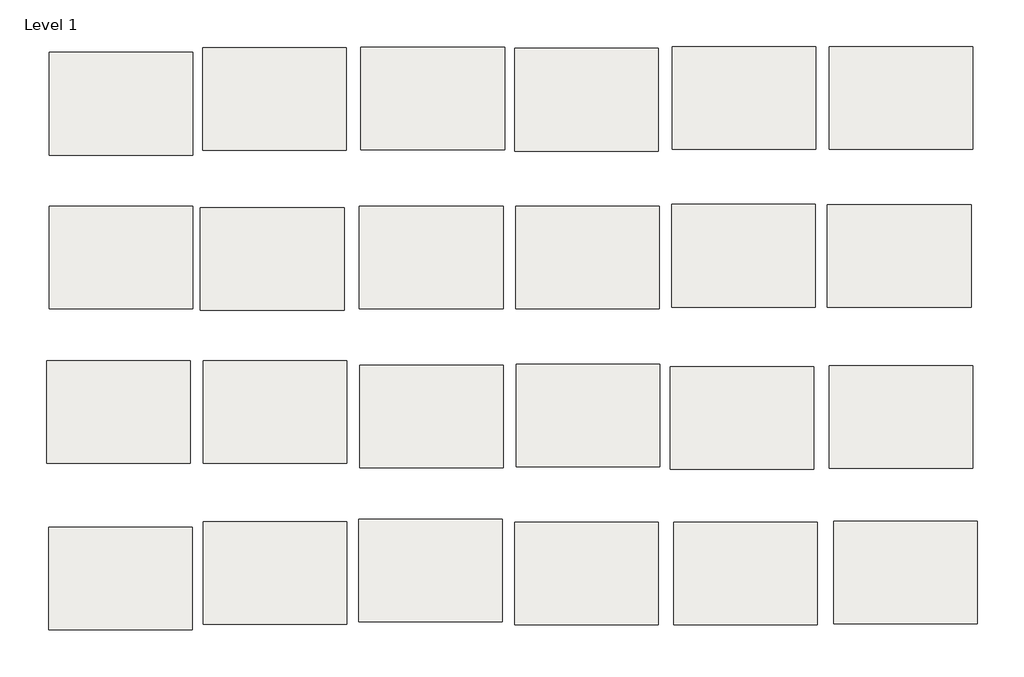
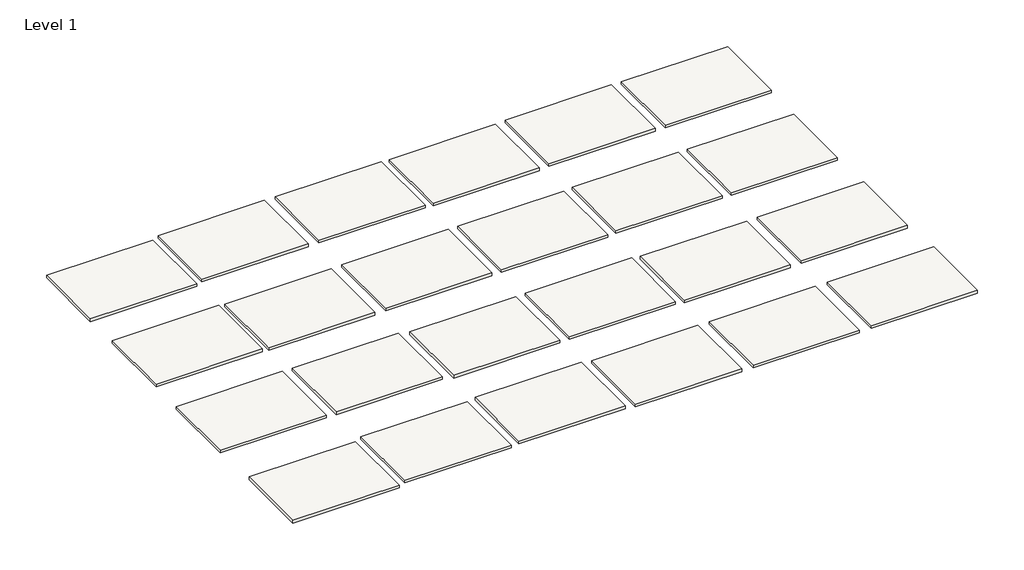
# One storey: 24 slabs.
"""IFC4 building model written with IfcOpenShell, lengths in millimetres."""

import ifcopenshell
import ifcopenshell.guid

model = None  # the IFC model being written
_history = None  # IfcOwnerHistory: only IFC2X3 demands one
_inside = {}  # id of a spatial element -> (the spatial element, [elements in it])
_under = {}  # id of a project, library or spatial element -> (it, [spatial elements below it])
_declared = {}  # id of a project -> (the project, [libraries it declares])
_typed = {}  # id of a type object -> (the type object, [elements of that type])
_made_of = {}  # id of a material, layer set ... -> (it, [elements and type objects made of it])


def new_model(schema):
    """Start an empty IFC model of exactly this schema.

    Asked for "IFC4X3", IfcOpenShell would pick the latest addendum, in which some entities
    have other attributes; the version numbers below select the first issue.
    IFC2X3 requires an IfcOwnerHistory on every rooted entity: one is made here for all.
    """
    global model, _history
    if schema == "IFC4X3":
        model = ifcopenshell.file(schema_version=(4, 3, 0, 0))
    else:
        model = ifcopenshell.file(schema=schema)
    _inside.clear()
    _under.clear()
    _declared.clear()
    _typed.clear()
    _made_of.clear()
    _history = None
    if model.schema == "IFC2X3":
        org = make("IfcOrganization", Name="unknown")
        user = make(
            "IfcPersonAndOrganization",
            ThePerson=make("IfcPerson", FamilyName="unknown"),
            TheOrganization=org,
        )
        app = make(
            "IfcApplication",
            ApplicationDeveloper=org,
            Version="unknown",
            ApplicationFullName="unknown",
            ApplicationIdentifier="unknown",
        )
        _history = make(
            "IfcOwnerHistory",
            OwningUser=user,
            OwningApplication=app,
            ChangeAction="ADDED",
            CreationDate=0,
        )
    return model


def make(cls, **values):
    """One entity of the class cls with the attributes given. An attribute that is None is left unset."""
    return model.create_entity(
        cls, **{name: value for name, value in values.items() if value is not None}
    )


def rooted(cls, **values):
    """An entity with a GlobalId (a new one), such as an element, a storey or a relation."""
    return make(cls, GlobalId=ifcopenshell.guid.new(), OwnerHistory=_history, **values)


def si_unit(unit_type, name, prefix=None):
    """IfcSIUnit, for example si_unit("LENGTHUNIT", "METRE", prefix="MILLI")."""
    return make("IfcSIUnit", UnitType=unit_type, Prefix=prefix, Name=name)


def assignment(units):
    """IfcUnitAssignment: the units of a project."""
    return None if units is None else make("IfcUnitAssignment", Units=units)


def point(xyz):
    """IfcCartesianPoint."""
    return None if xyz is None else make("IfcCartesianPoint", Coordinates=xyz)


def direction(xyz):
    """IfcDirection."""
    return None if xyz is None else make("IfcDirection", DirectionRatios=xyz)


def frame(location, z_axis=None, x_axis=None):
    """IfcAxis2Placement3D, a coordinate frame: its origin and axes. An axis left out is left unset."""
    return make(
        "IfcAxis2Placement3D",
        Location=point(location),
        Axis=direction(z_axis),
        RefDirection=direction(x_axis),
    )


def origin():
    """The frame at (0, 0, 0) with its axes left unset."""
    return frame((0.0, 0.0, 0.0))


def place(relative_to, where):
    """IfcLocalPlacement: puts the frame where relative to a parent placement (None: the world)."""
    return make(
        "IfcLocalPlacement", PlacementRelTo=relative_to, RelativePlacement=where
    )


def context(
    kind, dimensions, precision=None, world=None, true_north=None, identifier=None
):
    """IfcGeometricRepresentationContext, for example the 3D "Model" context."""
    return make(
        "IfcGeometricRepresentationContext",
        ContextIdentifier=identifier,
        ContextType=kind,
        CoordinateSpaceDimension=dimensions,
        Precision=precision,
        WorldCoordinateSystem=world,
        TrueNorth=true_north,
    )


def project(units=None, contexts=None):
    """IfcProject with its units and contexts."""
    return rooted(
        "IfcProject",
        Name="project",
        RepresentationContexts=contexts,
        UnitsInContext=assignment(units),
    )


def spatial(cls, under=None, at=None, **own):
    """A site, building, storey or space (cls), placed at a placement, below another one or the project."""
    s = rooted(cls, ObjectPlacement=at, **own)
    if under is not None:
        _under.setdefault(under.id(), (under, []))[1].append(s)
    return s


def polyline(points):
    """IfcPolyline through the points."""
    return make("IfcPolyline", Points=[point(p) for p in points])


def outline(outer, holes=None, kind="AREA"):
    """IfcArbitraryClosedProfileDef: a profile drawn as a closed curve; with holes, ...WithVoids."""
    if holes is None:
        return make("IfcArbitraryClosedProfileDef", ProfileType=kind, OuterCurve=outer)
    return make(
        "IfcArbitraryProfileDefWithVoids",
        ProfileType=kind,
        OuterCurve=outer,
        InnerCurves=holes,
    )


def extrude(swept, where, along, depth):
    """IfcExtrudedAreaSolid: the profile swept, set in the frame where, extruded along a direction by depth."""
    return make(
        "IfcExtrudedAreaSolid",
        SweptArea=swept,
        Position=where,
        ExtrudedDirection=direction(along),
        Depth=depth,
    )


def shape(context_of_items, identifier, shape_type, items):
    """IfcShapeRepresentation: the items that make up one representation, for example the "Body"."""
    return make(
        "IfcShapeRepresentation",
        ContextOfItems=context_of_items,
        RepresentationIdentifier=identifier,
        RepresentationType=shape_type,
        Items=items,
    )


def made_of(thing, what):
    """Note that an element or type object is made of a material, layer set ...; save() writes the relation."""
    if what is not None:
        _made_of.setdefault(what.id(), (what, []))[1].append(thing)
    return thing


def element(
    cls,
    number,
    at=None,
    inside=None,
    cuts=None,
    type_object=None,
    material=None,
    context=None,
    identifier="Body",
    shape_type=None,
    held_by="IfcProductDefinitionShape",
    body=None,
    shapes=None,
    **own,
):
    """One element of the class cls, such as IfcWall. Its Tag is "e" and its number.

    at: its placement. inside: the storey or other place that contains it. cuts: it is an
    opening in that element (IfcRelVoidsElement). A single representation is given by context,
    identifier, shape_type and body (its items); several are given by shapes. held_by: the class
    of the entity that holds the representations. save() writes the other relations.
    """
    e = rooted(cls, Tag="e%d" % number, ObjectPlacement=at, **own)
    if body is not None:
        shapes = [shape(context, identifier, shape_type, body)]
    if shapes is not None:
        e.Representation = make(held_by, Representations=shapes)
    if inside is not None:
        _inside.setdefault(inside.id(), (inside, []))[1].append(e)
    if cuts is not None:
        rooted(
            "IfcRelVoidsElement", RelatingBuildingElement=cuts, RelatedOpeningElement=e
        )
    if type_object is not None:
        _typed.setdefault(type_object.id(), (type_object, []))[1].append(e)
    return made_of(e, material)


def aggregate(whole, parts):
    """IfcRelAggregates: a whole, such as a stair, and the parts it consists of."""
    return rooted("IfcRelAggregates", RelatingObject=whole, RelatedObjects=parts)


def save(model, path):
    """Write the relations noted so far, then the file.

    IfcRelAggregates (storeys below a building ...), IfcRelContainedInSpatialStructure (elements
    in a storey), IfcRelDefinesByType, IfcRelAssociatesMaterial and IfcRelDeclares: one each for
    every whole, place, type object, material and project.
    """
    for whole, parts in _under.values():
        aggregate(whole, parts)
    for where, things in _inside.values():
        rooted(
            "IfcRelContainedInSpatialStructure",
            RelatedElements=things,
            RelatingStructure=where,
        )
    for kind, things in _typed.values():
        rooted("IfcRelDefinesByType", RelatedObjects=things, RelatingType=kind)
    for what, things in _made_of.values():
        rooted("IfcRelAssociatesMaterial", RelatedObjects=things, RelatingMaterial=what)
    for by, libraries in _declared.values():
        rooted("IfcRelDeclares", RelatingContext=by, RelatedDefinitions=libraries)
    model.write(path)


model = new_model("IFC4")

# Units and contexts
model_context = context("Model", 3, world=origin())
ifc_project = project(units=[si_unit("LENGTHUNIT", "METRE", prefix="MILLI")], contexts=[model_context])

# Site, building, storey
site = spatial("IfcSite", under=ifc_project)
building = spatial("IfcBuilding", under=site)
storey = spatial("IfcBuildingStorey", under=building, Name="Level 1", Elevation=0.0)

# Slabs
placement = place(None, origin())
element("IfcSlab", 1, at=placement, inside=storey, context=model_context, shape_type="SweptSolid", body=[
    extrude(outline(polyline([(-63170.4761678, 48896.6030068), (-63170.4761678, 48642.6030068), (-63526.0761678, 48642.6030068), (-63526.0761678, 48896.6030068), (-63170.4761678, 48896.6030068)])), frame((0.0, 0.0, -9.525), z_axis=(0.0, 0.0, 1.0), x_axis=(1.0, 0.0, 0.0)), (0.0, 0.0, 1.0), 9.525),
])
element("IfcSlab", 2, at=placement, inside=storey, context=model_context, shape_type="SweptSolid", body=[
    extrude(outline(polyline([(-64330.2360439, 48509.791064), (-64330.2360439, 48255.791064), (-64685.8360439, 48255.791064), (-64685.8360439, 48509.791064), (-64330.2360439, 48509.791064)])), frame((0.0, 0.0, -9.525), z_axis=(0.0, 0.0, 1.0), x_axis=(1.0, 0.0, 0.0)), (0.0, 0.0, 1.0), 9.525),
])
element("IfcSlab", 3, at=placement, inside=storey, context=model_context, shape_type="SweptSolid", body=[
    extrude(outline(polyline([(-64711.9712587, 49272.8981607), (-64711.9712587, 49018.8981607), (-65067.5712587, 49018.8981607), (-65067.5712587, 49272.8981607), (-64711.9712587, 49272.8981607)])), frame((0.0, 0.0, -9.525), z_axis=(0.0, 0.0, 1.0), x_axis=(1.0, 0.0, 0.0)), (0.0, 0.0, 1.0), 9.525),
])
element("IfcSlab", 4, at=placement, inside=storey, context=model_context, shape_type="SweptSolid", body=[
    extrude(outline(polyline([(-64331.7102382, 49284.8714824), (-64331.7102382, 49030.8714824), (-64687.3102382, 49030.8714824), (-64687.3102382, 49284.8714824), (-64331.7102382, 49284.8714824)])), frame((0.0, 0.0, -9.525), z_axis=(0.0, 0.0, 1.0), x_axis=(1.0, 0.0, 0.0)), (0.0, 0.0, 1.0), 9.525),
])
element("IfcSlab", 5, at=placement, inside=storey, context=model_context, shape_type="SweptSolid", body=[
    extrude(outline(polyline([(-63939.9065178, 49285.8168965), (-63939.9065178, 49031.8168965), (-64295.5065178, 49031.8168965), (-64295.5065178, 49285.8168965), (-63939.9065178, 49285.8168965)])), frame((0.0, 0.0, -9.525), z_axis=(0.0, 0.0, 1.0), x_axis=(1.0, 0.0, 0.0)), (0.0, 0.0, 1.0), 9.525),
])
element("IfcSlab", 6, at=placement, inside=storey, context=model_context, shape_type="SweptSolid", body=[
    extrude(outline(polyline([(-64330.5468557, 48110.8113112), (-64330.5468557, 47856.8113112), (-64686.1468557, 47856.8113112), (-64686.1468557, 48110.8113112), (-64330.5468557, 48110.8113112)])), frame((0.0, 0.0, -9.525), z_axis=(0.0, 0.0, 1.0), x_axis=(1.0, 0.0, 0.0)), (0.0, 0.0, 1.0), 9.525),
])
element("IfcSlab", 7, at=placement, inside=storey, context=model_context, shape_type="SweptSolid", body=[
    extrude(outline(polyline([(-63945.1359056, 48117.2472807), (-63945.1359056, 47863.2472807), (-64300.7359056, 47863.2472807), (-64300.7359056, 48117.2472807), (-63945.1359056, 48117.2472807)])), frame((0.0, 0.0, -9.525), z_axis=(0.0, 0.0, 1.0), x_axis=(1.0, 0.0, 0.0)), (0.0, 0.0, 1.0), 9.525),
])
element("IfcSlab", 8, at=placement, inside=storey, context=model_context, shape_type="SweptSolid", body=[
    extrude(outline(polyline([(-63165.8151919, 48109.590984), (-63165.8151919, 47855.590984), (-63521.4151919, 47855.590984), (-63521.4151919, 48109.590984), (-63165.8151919, 48109.590984)])), frame((0.0, 0.0, -9.525), z_axis=(0.0, 0.0, 1.0), x_axis=(1.0, 0.0, 0.0)), (0.0, 0.0, 1.0), 9.525),
])
element("IfcSlab", 9, at=placement, inside=storey, context=model_context, shape_type="SweptSolid", body=[
    extrude(outline(polyline([(-62768.9567535, 48111.8175544), (-62768.9567535, 47857.8175544), (-63124.5567535, 47857.8175544), (-63124.5567535, 48111.8175544), (-62768.9567535, 48111.8175544)])), frame((0.0, 0.0, -9.525), z_axis=(0.0, 0.0, 1.0), x_axis=(1.0, 0.0, 0.0)), (0.0, 0.0, 1.0), 9.525),
])
element("IfcSlab", 10, at=placement, inside=storey, context=model_context, shape_type="SweptSolid", body=[
    extrude(outline(polyline([(-63559.5151919, 48109.590984), (-63559.5151919, 47855.590984), (-63915.1151919, 47855.590984), (-63915.1151919, 48109.590984), (-63559.5151919, 48109.590984)])), frame((0.0, 0.0, -9.525), z_axis=(0.0, 0.0, 1.0), x_axis=(1.0, 0.0, 0.0)), (0.0, 0.0, 1.0), 9.525),
])
element("IfcSlab", 11, ObjectType="Edgewood Base Mat MB 400 - HD Carpet Black Iron", at=placement, inside=storey, context=model_context, shape_type="SweptSolid", body=[
    extrude(outline(polyline([(-64711.9712587, 48891.8981607), (-64711.9712587, 48637.8981607), (-65067.5712587, 48637.8981607), (-65067.5712587, 48891.8981607), (-64711.9712587, 48891.8981607)])), frame((0.0, 0.0, -9.525), z_axis=(0.0, 0.0, 1.0), x_axis=(1.0, 0.0, 0.0)), (0.0, 0.0, 1.0), 9.525),
])
element("IfcSlab", 12, ObjectType="Edgewood Base Mat MB 400 - HD Carpet Cast Iron", at=placement, inside=storey, context=model_context, shape_type="SweptSolid", body=[
    extrude(outline(polyline([(-63559.2994119, 49282.9552233), (-63559.2994119, 49028.9552233), (-63914.8994119, 49028.9552233), (-63914.8994119, 49282.9552233), (-63559.2994119, 49282.9552233)])), frame((0.0, 0.0, -9.525), z_axis=(0.0, 0.0, 1.0), x_axis=(1.0, 0.0, 0.0)), (0.0, 0.0, 1.0), 9.525),
])
element("IfcSlab", 13, ObjectType="Edgewood Base Mat MB 400 - HD Carpet Charcoal", at=placement, inside=storey, context=model_context, shape_type="SweptSolid", body=[
    extrude(outline(polyline([(-64337.4492862, 48888.2950249), (-64337.4492862, 48634.2950249), (-64693.0492862, 48634.2950249), (-64693.0492862, 48888.2950249), (-64337.4492862, 48888.2950249)])), frame((0.0, 0.0, -9.525), z_axis=(0.0, 0.0, 1.0), x_axis=(1.0, 0.0, 0.0)), (0.0, 0.0, 1.0), 9.525),
])
element("IfcSlab", 14, ObjectType="Edgewood Base Mat MB 400 - HD Carpet Denim", at=placement, inside=storey, context=model_context, shape_type="SweptSolid", body=[
    extrude(outline(polyline([(-63556.2712587, 48891.8981607), (-63556.2712587, 48637.8981607), (-63911.8712587, 48637.8981607), (-63911.8712587, 48891.8981607), (-63556.2712587, 48891.8981607)])), frame((0.0, 0.0, -9.525), z_axis=(0.0, 0.0, 1.0), x_axis=(1.0, 0.0, 0.0)), (0.0, 0.0, 1.0), 9.525),
])
element("IfcSlab", 15, ObjectType="Edgewood Base Mat MB 400 - HD Carpet Espresso", at=placement, inside=storey, context=model_context, shape_type="SweptSolid", body=[
    extrude(outline(polyline([(-62784.7758034, 48895.9940769), (-62784.7758034, 48641.9940769), (-63140.3758034, 48641.9940769), (-63140.3758034, 48895.9940769), (-62784.7758034, 48895.9940769)])), frame((0.0, 0.0, -9.525), z_axis=(0.0, 0.0, 1.0), x_axis=(1.0, 0.0, 0.0)), (0.0, 0.0, 1.0), 9.525),
])
element("IfcSlab", 16, ObjectType="Edgewood Base Mat MB 400 - HD Carpet Grey Castle", at=placement, inside=storey, context=model_context, shape_type="SweptSolid", body=[
    extrude(outline(polyline([(-63943.6212587, 48891.8981607), (-63943.6212587, 48637.8981607), (-64299.2212587, 48637.8981607), (-64299.2212587, 48891.8981607), (-63943.6212587, 48891.8981607)])), frame((0.0, 0.0, -9.525), z_axis=(0.0, 0.0, 1.0), x_axis=(1.0, 0.0, 0.0)), (0.0, 0.0, 1.0), 9.525),
])
element("IfcSlab", 17, ObjectType="Edgewood Base Mat MB 400 - HD Carpet Java", at=placement, inside=storey, context=model_context, shape_type="SweptSolid", body=[
    extrude(outline(polyline([(-64718.4502291, 48510.0398041), (-64718.4502291, 48256.0398041), (-65074.0502291, 48256.0398041), (-65074.0502291, 48510.0398041), (-64718.4502291, 48510.0398041)])), frame((0.0, 0.0, -9.525), z_axis=(0.0, 0.0, 1.0), x_axis=(1.0, 0.0, 0.0)), (0.0, 0.0, 1.0), 9.525),
])
element("IfcSlab", 18, ObjectType="Edgewood Base Mat MB 400 - HD Carpet Onyx", at=placement, inside=storey, context=model_context, shape_type="SweptSolid", body=[
    extrude(outline(polyline([(-63168.926634, 49287.6387514), (-63168.926634, 49033.6387514), (-63524.526634, 49033.6387514), (-63524.526634, 49287.6387514), (-63168.926634, 49287.6387514)])), frame((0.0, 0.0, -9.525), z_axis=(0.0, 0.0, 1.0), x_axis=(1.0, 0.0, 0.0)), (0.0, 0.0, 1.0), 9.525),
])
element("IfcSlab", 19, ObjectType="Edgewood Base Mat MB 400 - HD Carpet Shadow", at=placement, inside=storey, context=model_context, shape_type="SweptSolid", body=[
    extrude(outline(polyline([(-62780.1291025, 49287.0073516), (-62780.1291025, 49033.0073516), (-63135.7291025, 49033.0073516), (-63135.7291025, 49287.0073516), (-62780.1291025, 49287.0073516)])), frame((0.0, 0.0, -9.525), z_axis=(0.0, 0.0, 1.0), x_axis=(1.0, 0.0, 0.0)), (0.0, 0.0, 1.0), 9.525),
])
element("IfcSlab", 20, ObjectType="Edgewood Base Mat MB 400 - HD Carpet Spice", at=placement, inside=storey, context=model_context, shape_type="SweptSolid", body=[
    extrude(outline(polyline([(-63943.4375402, 48498.8259809), (-63943.4375402, 48244.8259809), (-64299.0375402, 48244.8259809), (-64299.0375402, 48498.8259809), (-63943.4375402, 48498.8259809)])), frame((0.0, 0.0, -9.525), z_axis=(0.0, 0.0, 1.0), x_axis=(1.0, 0.0, 0.0)), (0.0, 0.0, 1.0), 9.525),
])
element("IfcSlab", 21, ObjectType="Edgewood Base Mat MB 400 - HD Carpet Suede", at=placement, inside=storey, context=model_context, shape_type="SweptSolid", body=[
    extrude(outline(polyline([(-63555.1373428, 48500.6456844), (-63555.1373428, 48246.6456844), (-63910.7373428, 48246.6456844), (-63910.7373428, 48500.6456844), (-63555.1373428, 48500.6456844)])), frame((0.0, 0.0, -9.525), z_axis=(0.0, 0.0, 1.0), x_axis=(1.0, 0.0, 0.0)), (0.0, 0.0, 1.0), 9.525),
])
element("IfcSlab", 22, ObjectType="Edgewood Base Mat MB 400 - Vinyl Black", at=placement, inside=storey, context=model_context, shape_type="SweptSolid", body=[
    extrude(outline(polyline([(-63174.1516793, 48494.8159408), (-63174.1516793, 48240.8159408), (-63529.7516793, 48240.8159408), (-63529.7516793, 48494.8159408), (-63174.1516793, 48494.8159408)])), frame((0.0, 0.0, -9.525), z_axis=(0.0, 0.0, 1.0), x_axis=(1.0, 0.0, 0.0)), (0.0, 0.0, 1.0), 9.525),
])
element("IfcSlab", 23, ObjectType="Edgewood Base Mat MB 400 - Vinyl Brown", at=placement, inside=storey, context=model_context, shape_type="SweptSolid", body=[
    extrude(outline(polyline([(-62780.5218267, 48497.4258757), (-62780.5218267, 48243.4258757), (-63136.1218267, 48243.4258757), (-63136.1218267, 48497.4258757), (-62780.5218267, 48497.4258757)])), frame((0.0, 0.0, -9.525), z_axis=(0.0, 0.0, 1.0), x_axis=(1.0, 0.0, 0.0)), (0.0, 0.0, 1.0), 9.525),
])
element("IfcSlab", 24, ObjectType="Edgewood Base Mat MB 400 - Vinyl Grey", at=placement, inside=storey, context=model_context, shape_type="SweptSolid", body=[
    extrude(outline(polyline([(-64713.1372386, 48096.9758538), (-64713.1372386, 47842.9758538), (-65068.7372386, 47842.9758538), (-65068.7372386, 48096.9758538), (-64713.1372386, 48096.9758538)])), frame((0.0, 0.0, -9.525), z_axis=(0.0, 0.0, 1.0), x_axis=(1.0, 0.0, 0.0)), (0.0, 0.0, 1.0), 9.525),
])

save(model, "model.ifc")
